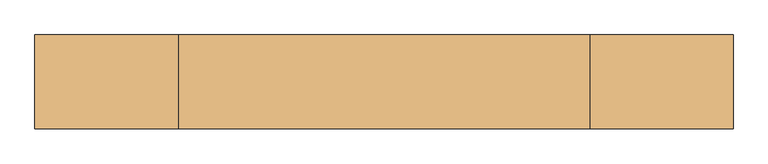
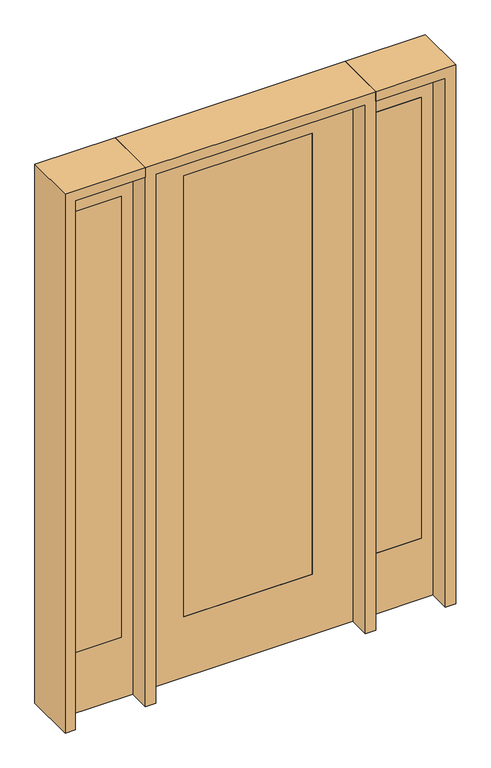
"""IFC4 building model written with IfcOpenShell, lengths in millimetres: door geometry."""

import ifcopenshell
import ifcopenshell.guid

model = None  # the IFC model being written
_history = None  # IfcOwnerHistory: only IFC2X3 demands one
_inside = {}  # id of a spatial element -> (the spatial element, [elements in it])
_under = {}  # id of a project, library or spatial element -> (it, [spatial elements below it])
_declared = {}  # id of a project -> (the project, [libraries it declares])
_typed = {}  # id of a type object -> (the type object, [elements of that type])
_made_of = {}  # id of a material, layer set ... -> (it, [elements and type objects made of it])


def new_model(schema):
    """Start an empty IFC model of exactly this schema.

    Asked for "IFC4X3", IfcOpenShell would pick the latest addendum, in which some entities
    have other attributes; the version numbers below select the first issue.
    IFC2X3 requires an IfcOwnerHistory on every rooted entity: one is made here for all.
    """
    global model, _history
    if schema == "IFC4X3":
        model = ifcopenshell.file(schema_version=(4, 3, 0, 0))
    else:
        model = ifcopenshell.file(schema=schema)
    _inside.clear()
    _under.clear()
    _declared.clear()
    _typed.clear()
    _made_of.clear()
    _history = None
    if model.schema == "IFC2X3":
        org = make("IfcOrganization", Name="unknown")
        user = make(
            "IfcPersonAndOrganization",
            ThePerson=make("IfcPerson", FamilyName="unknown"),
            TheOrganization=org,
        )
        app = make(
            "IfcApplication",
            ApplicationDeveloper=org,
            Version="unknown",
            ApplicationFullName="unknown",
            ApplicationIdentifier="unknown",
        )
        _history = make(
            "IfcOwnerHistory",
            OwningUser=user,
            OwningApplication=app,
            ChangeAction="ADDED",
            CreationDate=0,
        )
    return model


def make(cls, **values):
    """One entity of the class cls with the attributes given. An attribute that is None is left unset."""
    return model.create_entity(
        cls, **{name: value for name, value in values.items() if value is not None}
    )


def rooted(cls, **values):
    """An entity with a GlobalId (a new one), such as an element, a storey or a relation."""
    return make(cls, GlobalId=ifcopenshell.guid.new(), OwnerHistory=_history, **values)


def si_unit(unit_type, name, prefix=None):
    """IfcSIUnit, for example si_unit("LENGTHUNIT", "METRE", prefix="MILLI")."""
    return make("IfcSIUnit", UnitType=unit_type, Prefix=prefix, Name=name)


def assignment(units):
    """IfcUnitAssignment: the units of a project."""
    return None if units is None else make("IfcUnitAssignment", Units=units)


def point(xyz):
    """IfcCartesianPoint."""
    return None if xyz is None else make("IfcCartesianPoint", Coordinates=xyz)


def direction(xyz):
    """IfcDirection."""
    return None if xyz is None else make("IfcDirection", DirectionRatios=xyz)


def frame(location, z_axis=None, x_axis=None):
    """IfcAxis2Placement3D, a coordinate frame: its origin and axes. An axis left out is left unset."""
    return make(
        "IfcAxis2Placement3D",
        Location=point(location),
        Axis=direction(z_axis),
        RefDirection=direction(x_axis),
    )


def origin():
    """The frame at (0, 0, 0) with its axes left unset."""
    return frame((0.0, 0.0, 0.0))


def place(relative_to, where):
    """IfcLocalPlacement: puts the frame where relative to a parent placement (None: the world)."""
    return make(
        "IfcLocalPlacement", PlacementRelTo=relative_to, RelativePlacement=where
    )


def context(
    kind, dimensions, precision=None, world=None, true_north=None, identifier=None
):
    """IfcGeometricRepresentationContext, for example the 3D "Model" context."""
    return make(
        "IfcGeometricRepresentationContext",
        ContextIdentifier=identifier,
        ContextType=kind,
        CoordinateSpaceDimension=dimensions,
        Precision=precision,
        WorldCoordinateSystem=world,
        TrueNorth=true_north,
    )


def project(units=None, contexts=None):
    """IfcProject with its units and contexts."""
    return rooted(
        "IfcProject",
        Name="project",
        RepresentationContexts=contexts,
        UnitsInContext=assignment(units),
    )


def spatial(cls, under=None, at=None, **own):
    """A site, building, storey or space (cls), placed at a placement, below another one or the project."""
    s = rooted(cls, ObjectPlacement=at, **own)
    if under is not None:
        _under.setdefault(under.id(), (under, []))[1].append(s)
    return s


def polyline(points):
    """IfcPolyline through the points."""
    return make("IfcPolyline", Points=[point(p) for p in points])


def outline(outer, holes=None, kind="AREA"):
    """IfcArbitraryClosedProfileDef: a profile drawn as a closed curve; with holes, ...WithVoids."""
    if holes is None:
        return make("IfcArbitraryClosedProfileDef", ProfileType=kind, OuterCurve=outer)
    return make(
        "IfcArbitraryProfileDefWithVoids",
        ProfileType=kind,
        OuterCurve=outer,
        InnerCurves=holes,
    )


def extrude(swept, where, along, depth):
    """IfcExtrudedAreaSolid: the profile swept, set in the frame where, extruded along a direction by depth."""
    return make(
        "IfcExtrudedAreaSolid",
        SweptArea=swept,
        Position=where,
        ExtrudedDirection=direction(along),
        Depth=depth,
    )


def shape(context_of_items, identifier, shape_type, items):
    """IfcShapeRepresentation: the items that make up one representation, for example the "Body"."""
    return make(
        "IfcShapeRepresentation",
        ContextOfItems=context_of_items,
        RepresentationIdentifier=identifier,
        RepresentationType=shape_type,
        Items=items,
    )


def source(mapping_origin, context_of_items, identifier, shape_type, items):
    """IfcRepresentationMap: a shape defined once, which mapped items show again and again."""
    return make(
        "IfcRepresentationMap",
        MappingOrigin=mapping_origin,
        MappedRepresentation=shape(context_of_items, identifier, shape_type, items),
    )


def transform(
    local_origin,
    x_axis=None,
    y_axis=None,
    z_axis=None,
    scale=None,
    scale2=None,
    scale3=None,
    uniform=True,
):
    """IfcCartesianTransformationOperator3D, or its non-uniform kind. x_axis, y_axis, z_axis: its Axis1, 2, 3."""
    if uniform:
        return make(
            "IfcCartesianTransformationOperator3D",
            Axis1=direction(x_axis),
            Axis2=direction(y_axis),
            LocalOrigin=point(local_origin),
            Scale=scale,
            Axis3=direction(z_axis),
        )
    return make(
        "IfcCartesianTransformationOperator3DnonUniform",
        Axis1=direction(x_axis),
        Axis2=direction(y_axis),
        LocalOrigin=point(local_origin),
        Scale=scale,
        Axis3=direction(z_axis),
        Scale2=scale2,
        Scale3=scale3,
    )


def mapped(mapping_source, mapping_target):
    """IfcMappedItem: shows the shape of a source again, moved by a transform."""
    return make(
        "IfcMappedItem", MappingSource=mapping_source, MappingTarget=mapping_target
    )


def made_of(thing, what):
    """Note that an element or type object is made of a material, layer set ...; save() writes the relation."""
    if what is not None:
        _made_of.setdefault(what.id(), (what, []))[1].append(thing)
    return thing


def element(
    cls,
    number,
    at=None,
    inside=None,
    cuts=None,
    type_object=None,
    material=None,
    context=None,
    identifier="Body",
    shape_type=None,
    held_by="IfcProductDefinitionShape",
    body=None,
    shapes=None,
    **own,
):
    """One element of the class cls, such as IfcWall. Its Tag is "e" and its number.

    at: its placement. inside: the storey or other place that contains it. cuts: it is an
    opening in that element (IfcRelVoidsElement). A single representation is given by context,
    identifier, shape_type and body (its items); several are given by shapes. held_by: the class
    of the entity that holds the representations. save() writes the other relations.
    """
    e = rooted(cls, Tag="e%d" % number, ObjectPlacement=at, **own)
    if body is not None:
        shapes = [shape(context, identifier, shape_type, body)]
    if shapes is not None:
        e.Representation = make(held_by, Representations=shapes)
    if inside is not None:
        _inside.setdefault(inside.id(), (inside, []))[1].append(e)
    if cuts is not None:
        rooted(
            "IfcRelVoidsElement", RelatingBuildingElement=cuts, RelatedOpeningElement=e
        )
    if type_object is not None:
        _typed.setdefault(type_object.id(), (type_object, []))[1].append(e)
    return made_of(e, material)


def aggregate(whole, parts):
    """IfcRelAggregates: a whole, such as a stair, and the parts it consists of."""
    return rooted("IfcRelAggregates", RelatingObject=whole, RelatedObjects=parts)


def save(model, path):
    """Write the relations noted so far, then the file.

    IfcRelAggregates (storeys below a building ...), IfcRelContainedInSpatialStructure (elements
    in a storey), IfcRelDefinesByType, IfcRelAssociatesMaterial and IfcRelDeclares: one each for
    every whole, place, type object, material and project.
    """
    for whole, parts in _under.values():
        aggregate(whole, parts)
    for where, things in _inside.values():
        rooted(
            "IfcRelContainedInSpatialStructure",
            RelatedElements=things,
            RelatingStructure=where,
        )
    for kind, things in _typed.values():
        rooted("IfcRelDefinesByType", RelatedObjects=things, RelatingType=kind)
    for what, things in _made_of.values():
        rooted("IfcRelAssociatesMaterial", RelatedObjects=things, RelatingMaterial=what)
    for by, libraries in _declared.values():
        rooted("IfcRelDeclares", RelatingContext=by, RelatedDefinitions=libraries)
    model.write(path)


def door_28991977(model_context):
    return source(origin(), model_context, "Body", "SweptSolid", [
        extrude(outline(polyline([(552.45, -20.6375), (552.45, 20.6375), (755.65, 20.6375), (755.65, -20.6375), (552.45, -20.6375)])), frame((0.0, 0.0, 279.4), z_axis=(0.0, 0.0, 1.0), x_axis=(1.0, 0.0, 0.0)), (0.0, 0.0, 1.0), 2032.0),
        extrude(outline(polyline([(0.0, 806.45), (2438.4, 806.45), (2438.4, 501.65), (0.0, 501.65), (0.0, 806.45)]), holes=[polyline([(2311.4, 552.45), (2311.4, 755.65), (279.4, 755.65), (279.4, 552.45), (2311.4, 552.45)])]), frame((0.0, -20.6375, 0.0), z_axis=(0.0, 1.0, 0.0), x_axis=(0.0, 0.0, 1.0)), (0.0, 0.0, 1.0), 41.275),
        extrude(outline(polyline([(-552.45, -20.6375), (-755.65, -20.6375), (-755.65, 20.6375), (-552.45, 20.6375), (-552.45, -20.6375)])), frame((0.0, 0.0, 279.4), z_axis=(0.0, 0.0, 1.0), x_axis=(1.0, 0.0, 0.0)), (0.0, 0.0, 1.0), 2032.0),
        extrude(outline(polyline([(0.0, -806.45), (0.0, -501.65), (2438.4, -501.65), (2438.4, -806.45), (0.0, -806.45)]), holes=[polyline([(2311.4, -552.45), (279.4, -552.45), (279.4, -755.65), (2311.4, -755.65), (2311.4, -552.45)])]), frame((0.0, -20.6375, 0.0), z_axis=(0.0, 1.0, 0.0), x_axis=(0.0, 0.0, 1.0)), (0.0, 0.0, 1.0), 41.275),
        extrude(outline(polyline([(2438.4, 457.2), (2438.4, -457.2), (0.0, -457.2), (0.0, 457.2), (2438.4, 457.2)]), holes=[polyline([(279.4, 279.4), (279.4, -279.4), (2311.4, -279.4), (2311.4, 279.4), (279.4, 279.4)])]), frame((0.0, -20.6375, 0.0), z_axis=(0.0, 1.0, 0.0), x_axis=(0.0, 0.0, 1.0)), (0.0, 0.0, 1.0), 41.275),
        extrude(outline(polyline([(279.4, -20.6375), (-279.4, -20.6375), (-279.4, 20.6375), (279.4, 20.6375), (279.4, -20.6375)])), frame((0.0, 0.0, 279.4), z_axis=(0.0, 0.0, 1.0), x_axis=(1.0, 0.0, 0.0)), (0.0, 0.0, 1.0), 2032.0),
        extrude(outline(polyline([(2438.4, -501.65), (2482.85, -501.65), (2482.85, -850.9), (0.0, -850.9), (0.0, -806.45), (2438.4, -806.45), (2438.4, -501.65)])), frame((0.0, -114.3, 0.0), z_axis=(0.0, 1.0, 0.0), x_axis=(0.0, 0.0, 1.0)), (0.0, 0.0, 1.0), 228.6),
        extrude(outline(polyline([(2482.85, -501.65), (0.0, -501.65), (0.0, -457.2), (2438.4, -457.2), (2438.4, 457.2), (0.0, 457.2), (0.0, 501.65), (2482.85, 501.65), (2482.85, -501.65)])), frame((0.0, -114.3, 0.0), z_axis=(0.0, 1.0, 0.0), x_axis=(0.0, 0.0, 1.0)), (0.0, 0.0, 1.0), 228.6),
        extrude(outline(polyline([(0.0, 806.45), (0.0, 850.9), (2482.85, 850.9), (2482.85, 501.65), (2438.4, 501.65), (2438.4, 806.45), (0.0, 806.45)])), frame((0.0, -114.3, 0.0), z_axis=(0.0, 1.0, 0.0), x_axis=(0.0, 0.0, 1.0)), (0.0, 0.0, 1.0), 228.6),
    ])


if __name__ == "__main__":
    model = new_model("IFC4")
    model_context = context("Model", 3, world=origin())
    ifc_project = project(units=[si_unit("LENGTHUNIT", "METRE", prefix="MILLI")], contexts=[model_context])
    site = spatial("IfcSite", under=ifc_project)
    building = spatial("IfcBuilding", under=site)
    placement = place(None, origin())
    door_shape = door_28991977(model_context)
    element("IfcDoor", 1, at=placement, inside=building, context=model_context, shape_type="MappedRepresentation", body=[
        mapped(door_shape, transform((0.0, 0.0, 0.0), x_axis=(1.0, 0.0, 0.0), y_axis=(0.0, 1.0, 0.0), z_axis=(0.0, 0.0, 1.0))),
    ])
    save(model, "model.ifc")
